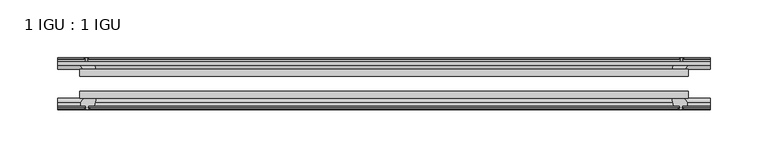
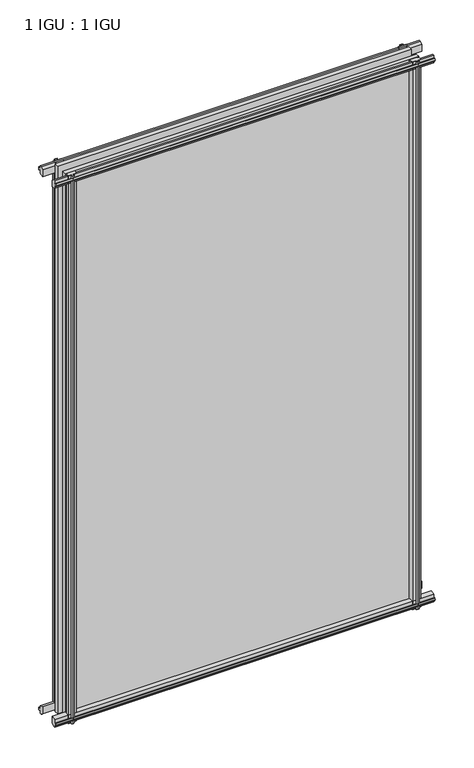
"""IFC4 building model written with IfcOpenShell, lengths in millimetres: plate geometry, 1 IGU : 1 IGU."""

from ifc_helpers import new_model, si_unit, frame, origin, place, context, project, spatial, polyline, outline, extrude, source, transform, mapped, element, save


def plate_1_igu_1_igu_6db3ac4a(model_context):
    return source(origin(), model_context, "Body", "SweptSolid", [
        extrude(outline(polyline([(-263.5583983, -38.6468937), (263.5583983, -38.6468937), (263.5583983, -44.9460938), (-263.5583983, -44.9460938), (-263.5583983, -38.6468937)])), frame((0.0, 0.0, -12.7), z_axis=(0.0, 0.0, 1.0), x_axis=(1.0, 0.0, 0.0)), (0.0, 0.0, 1.0), 863.5999996),
        extrude(outline(polyline([(-263.5583983, -19.5460937), (263.5583983, -19.5460937), (263.5583983, -25.8960938), (-263.5583983, -25.8960938), (-263.5583983, -19.5460937)])), frame((0.0, 0.0, -12.7), z_axis=(0.0, 0.0, 1.0), x_axis=(1.0, 0.0, 0.0)), (0.0, 0.0, 1.0), 863.5999996),
        extrude(outline(polyline([(-44.9460937, 1.7177181), (-44.9460937, -9.1036578), (-48.3496937, -11.938), (-51.2960937, -11.938), (-51.2960937, -7.493), (-53.6762907, -7.112), (-53.2163575, -8.5275291), (-54.0175717, -8.5275291), (-54.7250937, -6.35), (-54.0175717, -4.1724709), (-53.2163575, -4.1724709), (-53.6762907, -5.588), (-51.2960937, -5.207), (-51.2960937, 0.0), (-44.9460937, 1.7177181)])), frame((-282.6083983, 0.0, 0.0), z_axis=(1.0, 0.0, 0.0), x_axis=(0.0, 1.0, 0.0)), (0.0, 0.0, 1.0), 565.2167966),
        extrude(outline(polyline([(-13.1960937, -12.4587), (-16.1424937, -12.4587), (-19.5460937, -9.6243578), (-19.5460937, 1.1970181), (-13.1960937, -0.5207), (-13.1960937, -5.7277), (-10.8158968, -6.1087), (-11.27583, -4.6931709), (-10.4746158, -4.6931709), (-9.7670937, -6.8707), (-10.4746158, -9.0482291), (-11.27583, -9.0482291), (-10.8158968, -7.6327), (-13.1960937, -8.0137), (-13.1960937, -12.4587)])), frame((-282.6083983, 0.0, 0.0), z_axis=(1.0, 0.0, 0.0), x_axis=(0.0, 1.0, 0.0)), (0.0, 0.0, 1.0), 565.2167966),
        extrude(outline(polyline([(-51.2960937, 850.1379996), (-48.3496937, 850.1379996), (-44.9460937, 847.3036575), (-44.9460937, 836.4822816), (-51.2960937, 838.1999996), (-51.2960937, 843.4069996), (-53.6762907, 843.7879996), (-53.2163575, 842.3724706), (-54.0175717, 842.3724706), (-54.7250937, 844.5499996), (-54.0175717, 846.7275287), (-53.2163575, 846.7275287), (-53.6762907, 845.3119996), (-51.2960937, 845.6929996), (-51.2960937, 850.1379996)])), frame((-282.6083983, 0.0, 0.0), z_axis=(1.0, 0.0, 0.0), x_axis=(0.0, 1.0, 0.0)), (0.0, 0.0, 1.0), 565.2167966),
        extrude(outline(polyline([(-19.5460937, 837.0029816), (-19.5460937, 847.8243575), (-16.1424937, 850.6586996), (-13.1960937, 850.6586996), (-13.1960937, 846.2136996), (-10.8158968, 845.8326996), (-11.27583, 847.2482287), (-10.4746158, 847.2482287), (-9.7670937, 845.0706996), (-10.4746158, 842.8931706), (-11.27583, 842.8931706), (-10.8158968, 844.3086996), (-13.1960937, 843.9276996), (-13.1960937, 838.7206996), (-19.5460937, 837.0029816)])), frame((-282.6083983, 0.0, 0.0), z_axis=(1.0, 0.0, 0.0), x_axis=(0.0, 1.0, 0.0)), (0.0, 0.0, 1.0), 565.2167966),
        extrude(outline(polyline([(249.6613802, -19.5460938), (251.3790983, -13.1960938), (256.5860983, -13.1960938), (256.9670983, -10.8158968), (255.5515693, -11.27583), (255.5515693, -10.4746158), (257.7290983, -9.7670938), (259.9066274, -10.4746158), (259.9066274, -11.27583), (258.4910983, -10.8158968), (258.8720983, -13.1960938), (263.3170983, -13.1960938), (263.3170983, -16.1424938), (260.4827561, -19.5460938), (249.6613802, -19.5460938)])), frame((0.0, 0.0, -12.7), z_axis=(0.0, 0.0, 1.0), x_axis=(1.0, 0.0, 0.0)), (0.0, 0.0, 1.0), 863.5999998),
        extrude(outline(polyline([(249.1406802, -44.9460938), (259.9620561, -44.9460938), (262.7963983, -48.3496938), (262.7963983, -51.2960938), (258.3513983, -51.2960938), (257.9703983, -53.6762907), (259.3859274, -53.2163575), (259.3859274, -54.0175717), (257.2083983, -54.7250938), (255.0308693, -54.0175717), (255.0308693, -53.2163575), (256.4463983, -53.6762907), (256.0653983, -51.2960938), (250.8583983, -51.2960938), (249.1406802, -44.9460938)])), frame((0.0, 0.0, -12.7), z_axis=(0.0, 0.0, 1.0), x_axis=(1.0, 0.0, 0.0)), (0.0, 0.0, 1.0), 863.5999998),
        extrude(outline(polyline([(-257.7290983, -9.7670937), (-255.5515693, -10.4746158), (-255.5515693, -11.27583), (-256.9670983, -10.8158968), (-256.5860983, -13.1960937), (-251.3790983, -13.1960937), (-249.6613802, -19.5460937), (-260.4827561, -19.5460937), (-263.3170983, -16.1424937), (-263.3170983, -13.1960937), (-258.8720983, -13.1960937), (-258.4910983, -10.8158968), (-259.9066274, -11.27583), (-259.9066274, -10.4746158), (-257.7290983, -9.7670937)])), frame((0.0, 0.0, -12.7), z_axis=(0.0, 0.0, 1.0), x_axis=(1.0, 0.0, 0.0)), (0.0, 0.0, 1.0), 863.5999998),
        extrude(outline(polyline([(-262.7963983, -48.3496937), (-259.9620561, -44.9460937), (-249.1406802, -44.9460937), (-250.8583983, -51.2960937), (-256.0653983, -51.2960937), (-256.4463983, -53.6762907), (-255.0308693, -53.2163575), (-255.0308693, -54.0175717), (-257.2083983, -54.7250937), (-259.3859274, -54.0175717), (-259.3859274, -53.2163575), (-257.9703983, -53.6762907), (-258.3513983, -51.2960937), (-262.7963983, -51.2960937), (-262.7963983, -48.3496937)])), frame((0.0, 0.0, -12.7), z_axis=(0.0, 0.0, 1.0), x_axis=(1.0, 0.0, 0.0)), (0.0, 0.0, 1.0), 863.5999998),
    ])


if __name__ == "__main__":
    model = new_model("IFC4")
    model_context = context("Model", 3, world=origin())
    ifc_project = project(units=[si_unit("LENGTHUNIT", "METRE", prefix="MILLI")], contexts=[model_context])
    site = spatial("IfcSite", under=ifc_project)
    building = spatial("IfcBuilding", under=site)
    placement = place(None, origin())
    plate_1_igu_1_igu_shape = plate_1_igu_1_igu_6db3ac4a(model_context)
    element("IfcPlate", 1, ObjectType="1 IGU : 1 IGU", at=placement, inside=building, context=model_context, shape_type="MappedRepresentation", body=[
        mapped(plate_1_igu_1_igu_shape, transform((0.0, 0.0, 0.0), x_axis=(1.0, 0.0, 0.0), y_axis=(0.0, 1.0, 0.0), z_axis=(0.0, 0.0, 1.0))),
    ])
    save(model, "model.ifc")
